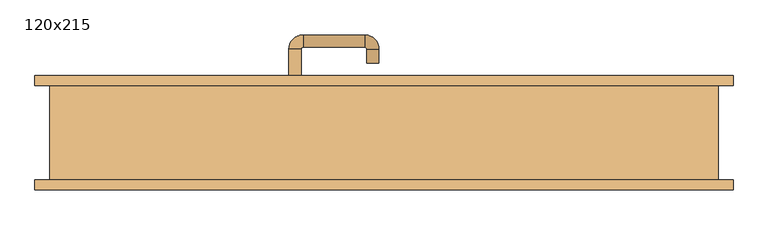
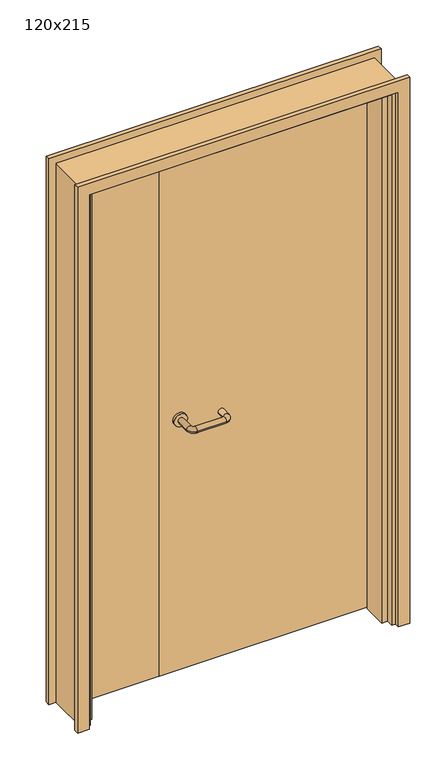
"""IFC4 building model written with IfcOpenShell, lengths in millimetres: door geometry, 120x215."""

from ifc_helpers import new_model, si_unit, point, frame, frame_2d, origin, place, context, project, spatial, polyline, circle_curve, ellipse_curve, trimmed, segment, composite_curve, outline, extrude, faceted_brep, source, transform, mapped, element, save
from ifc_brep_helpers import plane_surface, cylinder_surface, revolved_surface, advanced_brep


def door_120x215_9cea9fca(model_context):
    return source(origin(), model_context, "Body", "SolidModel", [
        faceted_brep([(547.0, -57.0, 0.0), (547.0, 38.0, 0.0), (568.0, 38.0, 0.0), (568.0, -57.0, 0.0), (547.0, -57.0, 2097.0), (547.0, 38.0, 2097.0), (568.0, 38.0, 2118.0), (568.0, -57.0, 2118.0), (-547.0, -57.0, 0.0), (-568.0, -57.0, 0.0), (-568.0, 38.0, 0.0), (-547.0, 38.0, 0.0), (-547.0, -57.0, 2097.0), (-568.0, -57.0, 2118.0), (-568.0, 38.0, 2118.0), (-547.0, 38.0, 2097.0)], [[[0, 1, 2, 3]], [[1, 0, 4, 5]], [[2, 1, 5, 6]], [[3, 2, 6, 7]], [[0, 3, 7, 4]], [[8, 9, 10, 11]], [[12, 13, 9, 8]], [[13, 14, 10, 9]], [[14, 15, 11, 10]], [[15, 12, 8, 11]], [[5, 4, 12, 15]], [[6, 5, 15, 14]], [[7, 6, 14, 13]], [[4, 7, 13, 12]]]),
        extrude(outline(polyline([(2177.0, 627.0), (2177.0, -627.0), (0.0, -627.0), (0.0, -583.0), (2133.0, -583.0), (2133.0, 583.0), (0.0, 583.0), (0.0, 627.0), (2177.0, 627.0)])), frame((0.0, 85.0, 0.0), z_axis=(0.0, 1.0, 0.0), x_axis=(0.0, 0.0, 1.0)), (0.0, 0.0, 1.0), 18.0),
        extrude(outline(polyline([(2177.0, -627.0), (0.0, -627.0), (0.0, -583.0), (2133.0, -583.0), (2133.0, 583.0), (0.0, 583.0), (0.0, 627.0), (2177.0, 627.0), (2177.0, -627.0)])), frame((0.0, -103.0, 0.0), z_axis=(0.0, 1.0, 0.0), x_axis=(0.0, 0.0, 1.0)), (0.0, 0.0, 1.0), 18.0),
        extrude(outline(polyline([(2150.0, -600.0), (0.0, -600.0), (0.0, -568.0), (2118.0, -568.0), (2118.0, 568.0), (0.0, 568.0), (0.0, 600.0), (2150.0, 600.0), (2150.0, -600.0)])), frame((0.0, -85.0, 0.0), z_axis=(0.0, 1.0, 0.0), x_axis=(0.0, 0.0, 1.0)), (0.0, 0.0, 1.0), 170.0),
        advanced_brep(
        [(-171.0, 30.8874183, 1003.0), (-149.0, 30.8874183, 1003.0), (-171.0, -23.9968061, 1003.0), (-149.0, -23.9968061, 1003.0), (-145.0, -27.9968061, 1003.0), (-145.0, -49.9968061, 1003.0), (-35.0, -49.9968061, 1003.0), (-35.0, -27.9968061, 1003.0), (-31.0, -23.9968061, 1003.0), (-9.0, -23.9968061, 1003.0), (-9.0, 10.0, 1003.0), (-31.0, 10.0, 1003.0)],
        [
            (0, 1, circle_curve(frame((-160.0, 30.8874183, 1003.0), z_axis=(0.0, 1.0, 0.0), x_axis=(1.0, 0.0, 0.0)), 11.0)),
            (1, 0, circle_curve(frame((-160.0, 30.8874183, 1003.0), z_axis=(0.0, 1.0, 0.0), x_axis=(1.0, 0.0, 0.0)), 11.0)),
            (0, 2),
            (2, 3, circle_curve(frame((-160.0, -23.9968061, 1003.0), z_axis=(0.0, 1.0, 0.0), x_axis=(1.0, 0.0, 0.0)), 11.0)),
            (3, 1),
            (3, 2, circle_curve(frame((-160.0, -23.9968061, 1003.0), z_axis=(0.0, 1.0, 0.0), x_axis=(1.0, 0.0, 0.0)), 11.0)),
            (4, 3, circle_curve(frame((-145.0, -23.9968061, 1003.0), z_axis=(0.0, 0.0, -1.0), x_axis=(-1.0, 0.0, 0.0)), 4.0)),
            (2, 5, circle_curve(frame((-145.0, -23.9968061, 1003.0), z_axis=(0.0, 0.0, 1.0), x_axis=(-1.0, 0.0, 0.0)), 26.0)),
            (5, 4, circle_curve(frame((-145.0, -38.9968061, 1003.0), z_axis=(-1.0, 0.0, 0.0), x_axis=(0.0, 1.0, 0.0)), 11.0)),
            (4, 5, circle_curve(frame((-145.0, -38.9968061, 1003.0), z_axis=(-1.0, 0.0, 0.0), x_axis=(0.0, 1.0, 0.0)), 11.0)),
            (5, 6),
            (6, 7, circle_curve(frame((-35.0, -38.9968061, 1003.0), z_axis=(-1.0, 0.0, 0.0), x_axis=(0.0, 1.0, 0.0)), 11.0)),
            (7, 4),
            (7, 6, circle_curve(frame((-35.0, -38.9968061, 1003.0), z_axis=(-1.0, 0.0, 0.0), x_axis=(0.0, 1.0, 0.0)), 11.0)),
            (8, 7, circle_curve(frame((-35.0, -23.9968061, 1003.0), z_axis=(0.0, 0.0, -1.0), x_axis=(0.0, -1.0, 0.0)), 4.0)),
            (6, 9, circle_curve(frame((-35.0, -23.9968061, 1003.0), z_axis=(0.0, 0.0, 1.0), x_axis=(0.0, -1.0, 0.0)), 26.0)),
            (9, 8, circle_curve(frame((-20.0, -23.9968061, 1003.0), z_axis=(0.0, -1.0, 0.0), x_axis=(-1.0, 0.0, 0.0)), 11.0)),
            (8, 9, circle_curve(frame((-20.0, -23.9968061, 1003.0), z_axis=(0.0, -1.0, 0.0), x_axis=(-1.0, 0.0, 0.0)), 11.0)),
            (10, 11, circle_curve(frame((-20.0, 10.0, 1003.0), z_axis=(0.0, 1.0, 0.0), x_axis=(-1.0, 0.0, 0.0)), 11.0)),
            (11, 10, circle_curve(frame((-20.0, 10.0, 1003.0), z_axis=(0.0, 1.0, 0.0), x_axis=(-1.0, 0.0, 0.0)), 11.0)),
            (9, 10),
            (11, 8),
        ],
        [
            plane_surface(frame((-171.0, 30.8874183, 1003.0), z_axis=(0.0, 1.0, 0.0), x_axis=(0.0, 0.0, -1.0))),
            cylinder_surface(frame((-160.0, 30.8874183, 1003.0), z_axis=(0.0, 1.0, 0.0), x_axis=(1.0, 0.0, 0.0)), 11.0),
            revolved_surface(trimmed(ellipse_curve(frame((-160.0, -23.9968061, 1003.0), z_axis=(0.0, 1.0, 0.0), x_axis=(1.0, 0.0, 0.0)), 11.0, 11.0), [point((-171.0, -23.9968061, 1003.0))], [point((-149.0, -23.9968061, 1003.0))], True, "CARTESIAN"), (-145.0, -23.9968061, 1003.0), (0.0, 0.0, 1.0)),
            revolved_surface(trimmed(ellipse_curve(frame((-160.0, -23.9968061, 1003.0), z_axis=(0.0, 1.0, 0.0), x_axis=(1.0, 0.0, 0.0)), 11.0, 11.0), [point((-149.0, -23.9968061, 1003.0))], [point((-171.0, -23.9968061, 1003.0))], True, "CARTESIAN"), (-145.0, -23.9968061, 1003.0), (0.0, 0.0, 1.0)),
            cylinder_surface(frame((-145.0, -38.9968061, 1003.0), z_axis=(-1.0, 0.0, 0.0), x_axis=(0.0, 1.0, 0.0)), 11.0),
            revolved_surface(trimmed(ellipse_curve(frame((-35.0, -38.9968061, 1003.0), z_axis=(-1.0, 0.0, 0.0), x_axis=(0.0, 1.0, 0.0)), 11.0, 11.0), [point((-35.0, -49.9968061, 1003.0))], [point((-35.0, -27.9968061, 1003.0))], True, "CARTESIAN"), (-35.0, -23.9968061, 1003.0), (0.0, 0.0, 1.0)),
            revolved_surface(trimmed(ellipse_curve(frame((-35.0, -38.9968061, 1003.0), z_axis=(-1.0, 0.0, 0.0), x_axis=(0.0, 1.0, 0.0)), 11.0, 11.0), [point((-35.0, -27.9968061, 1003.0))], [point((-35.0, -49.9968061, 1003.0))], True, "CARTESIAN"), (-35.0, -23.9968061, 1003.0), (0.0, 0.0, 1.0)),
            plane_surface(frame((-31.0, 10.0, 1003.0), z_axis=(0.0, 1.0, 0.0), x_axis=(0.0, 0.0, 1.0))),
            cylinder_surface(frame((-20.0, -23.9968061, 1003.0), z_axis=(0.0, -1.0, 0.0), x_axis=(-1.0, 0.0, 0.0)), 11.0),
        ],
        [
            (0, [[1, 2]]),
            (1, [[-1, 3, 4, 5]]),
            (1, [[-2, -5, 6, -3]]),
            (2, [[7, -4, 8, 9]]),
            (3, [[-8, -6, -7, 10]]),
            (4, [[-9, 11, 12, 13]]),
            (4, [[-10, -13, 14, -11]]),
            (5, [[15, -12, 16, 17]]),
            (6, [[-16, -14, -15, 18]]),
            (7, [[19, 20]]),
            (8, [[-17, 21, -20, 22]]),
            (8, [[-18, -22, -19, -21]]),
        ],
    ),
        extrude(outline(composite_curve([segment(trimmed(circle_curve(frame_2d((1003.0, -160.0)), 25.0), [point((1003.0, -185.0))], [point((1003.0, -135.0))], False, "CARTESIAN"), True, "CONTINUOUS"), segment(trimmed(circle_curve(frame_2d((1003.0, -160.0)), 25.0), [point((1003.0, -135.0))], [point((1003.0, -185.0))], False, "CARTESIAN"), True, "CONTINUOUS")], self_intersect=False)), frame((0.0, 30.8874183, 0.0), z_axis=(0.0, 1.0, 0.0), x_axis=(0.0, 0.0, 1.0)), (0.0, 0.0, 1.0), 10.1125817),
        advanced_brep(
        [(-149.0, 95.0, 1003.0), (-171.0, 95.0, 1003.0), (-149.0, 150.0, 1003.0), (-171.0, 150.0, 1003.0), (-145.0, 176.0, 1003.0), (-145.0, 154.0, 1003.0), (-35.0, 154.0, 1003.0), (-35.0, 176.0, 1003.0), (-9.0, 150.0, 1003.0), (-31.0, 150.0, 1003.0), (-31.0, 125.0, 1003.0), (-9.0, 125.0, 1003.0)],
        [
            (0, 1, circle_curve(frame((-160.0, 95.0, 1003.0), z_axis=(0.0, -1.0, 0.0), x_axis=(-1.0, 0.0, 0.0)), 11.0)),
            (1, 0, circle_curve(frame((-160.0, 95.0, 1003.0), z_axis=(0.0, -1.0, 0.0), x_axis=(-1.0, 0.0, 0.0)), 11.0)),
            (0, 2),
            (2, 3, circle_curve(frame((-160.0, 150.0, 1003.0), z_axis=(0.0, -1.0, 0.0), x_axis=(-1.0, 0.0, 0.0)), 11.0)),
            (3, 1),
            (3, 2, circle_curve(frame((-160.0, 150.0, 1003.0), z_axis=(0.0, -1.0, 0.0), x_axis=(-1.0, 0.0, 0.0)), 11.0)),
            (4, 3, circle_curve(frame((-145.0, 150.0, 1003.0), z_axis=(0.0, 0.0, 1.0), x_axis=(-1.0, 0.0, 0.0)), 26.0)),
            (2, 5, circle_curve(frame((-145.0, 150.0, 1003.0), z_axis=(0.0, 0.0, -1.0), x_axis=(-1.0, 0.0, 0.0)), 4.0)),
            (5, 4, circle_curve(frame((-145.0, 165.0, 1003.0), z_axis=(-1.0, 0.0, 0.0), x_axis=(0.0, 1.0, 0.0)), 11.0)),
            (4, 5, circle_curve(frame((-145.0, 165.0, 1003.0), z_axis=(-1.0, 0.0, 0.0), x_axis=(0.0, 1.0, 0.0)), 11.0)),
            (5, 6),
            (6, 7, circle_curve(frame((-35.0, 165.0, 1003.0), z_axis=(-1.0, 0.0, 0.0), x_axis=(0.0, 1.0, 0.0)), 11.0)),
            (7, 4),
            (7, 6, circle_curve(frame((-35.0, 165.0, 1003.0), z_axis=(-1.0, 0.0, 0.0), x_axis=(0.0, 1.0, 0.0)), 11.0)),
            (8, 7, circle_curve(frame((-35.0, 150.0, 1003.0), z_axis=(0.0, 0.0, 1.0), x_axis=(0.0, 1.0, 0.0)), 26.0)),
            (6, 9, circle_curve(frame((-35.0, 150.0, 1003.0), z_axis=(0.0, 0.0, -1.0), x_axis=(0.0, 1.0, 0.0)), 4.0)),
            (9, 8, circle_curve(frame((-20.0, 150.0, 1003.0), z_axis=(0.0, 1.0, 0.0), x_axis=(1.0, 0.0, 0.0)), 11.0)),
            (8, 9, circle_curve(frame((-20.0, 150.0, 1003.0), z_axis=(0.0, 1.0, 0.0), x_axis=(1.0, 0.0, 0.0)), 11.0)),
            (10, 11, circle_curve(frame((-20.0, 125.0, 1003.0), z_axis=(0.0, -1.0, 0.0), x_axis=(1.0, 0.0, 0.0)), 11.0)),
            (11, 10, circle_curve(frame((-20.0, 125.0, 1003.0), z_axis=(0.0, -1.0, 0.0), x_axis=(1.0, 0.0, 0.0)), 11.0)),
            (9, 10),
            (11, 8),
        ],
        [
            plane_surface(frame((-171.0, 95.0, 1003.0), z_axis=(0.0, -1.0, 0.0), x_axis=(0.0, 0.0, 1.0))),
            cylinder_surface(frame((-160.0, 95.0, 1003.0), z_axis=(0.0, -1.0, 0.0), x_axis=(-1.0, 0.0, 0.0)), 11.0),
            revolved_surface(trimmed(ellipse_curve(frame((-160.0, 150.0, 1003.0), z_axis=(0.0, -1.0, 0.0), x_axis=(-1.0, 0.0, 0.0)), 11.0, 11.0), [point((-149.0, 150.0, 1003.0))], [point((-171.0, 150.0, 1003.0))], True, "CARTESIAN"), (-145.0, 150.0, 1003.0), (0.0, 0.0, -1.0)),
            revolved_surface(trimmed(ellipse_curve(frame((-160.0, 150.0, 1003.0), z_axis=(0.0, -1.0, 0.0), x_axis=(-1.0, 0.0, 0.0)), 11.0, 11.0), [point((-171.0, 150.0, 1003.0))], [point((-149.0, 150.0, 1003.0))], True, "CARTESIAN"), (-145.0, 150.0, 1003.0), (0.0, 0.0, -1.0)),
            cylinder_surface(frame((-145.0, 165.0, 1003.0), z_axis=(-1.0, 0.0, 0.0), x_axis=(0.0, 1.0, 0.0)), 11.0),
            revolved_surface(trimmed(ellipse_curve(frame((-35.0, 165.0, 1003.0), z_axis=(-1.0, 0.0, 0.0), x_axis=(0.0, 1.0, 0.0)), 11.0, 11.0), [point((-35.0, 154.0, 1003.0))], [point((-35.0, 176.0, 1003.0))], True, "CARTESIAN"), (-35.0, 150.0, 1003.0), (0.0, 0.0, -1.0)),
            revolved_surface(trimmed(ellipse_curve(frame((-35.0, 165.0, 1003.0), z_axis=(-1.0, 0.0, 0.0), x_axis=(0.0, 1.0, 0.0)), 11.0, 11.0), [point((-35.0, 176.0, 1003.0))], [point((-35.0, 154.0, 1003.0))], True, "CARTESIAN"), (-35.0, 150.0, 1003.0), (0.0, 0.0, -1.0)),
            plane_surface(frame((-31.0, 125.0, 1003.0), z_axis=(0.0, -1.0, 0.0), x_axis=(0.0, 0.0, -1.0))),
            cylinder_surface(frame((-20.0, 150.0, 1003.0), z_axis=(0.0, 1.0, 0.0), x_axis=(1.0, 0.0, 0.0)), 11.0),
        ],
        [
            (0, [[1, 2]]),
            (1, [[-1, 3, 4, 5]]),
            (1, [[-2, -5, 6, -3]]),
            (2, [[7, -4, 8, 9]]),
            (3, [[-8, -6, -7, 10]]),
            (4, [[-9, 11, 12, 13]]),
            (4, [[-10, -13, 14, -11]]),
            (5, [[15, -12, 16, 17]]),
            (6, [[-16, -14, -15, 18]]),
            (7, [[19, 20]]),
            (8, [[-17, 21, -20, 22]]),
            (8, [[-18, -22, -19, -21]]),
        ],
    ),
        extrude(outline(composite_curve([segment(trimmed(circle_curve(frame_2d((1003.0, -160.0)), 25.0), [point((1003.0, -135.0))], [point((1003.0, -185.0))], False, "CARTESIAN"), True, "CONTINUOUS"), segment(trimmed(circle_curve(frame_2d((1003.0, -160.0)), 25.0), [point((1003.0, -185.0))], [point((1003.0, -135.0))], False, "CARTESIAN"), True, "CONTINUOUS")], self_intersect=False)), frame((0.0, 85.0, 0.0), z_axis=(0.0, 1.0, 0.0), x_axis=(0.0, 0.0, 1.0)), (0.0, 0.0, 1.0), 10.0),
        extrude(outline(polyline([(-236.99898, 41.0), (-565.0, 41.0), (-565.0, 85.0), (-236.99898, 85.0), (-236.99898, 41.0)])), frame((0.0, 0.0, 3.0), z_axis=(0.0, 0.0, 1.0), x_axis=(1.0, 0.0, 0.0)), (0.0, 0.0, 1.0), 2112.0),
        extrude(outline(polyline([(565.0, 41.0), (-235.0, 41.0), (-235.0, 85.0), (565.0, 85.0), (565.0, 41.0)])), frame((0.0, 0.0, 3.0), z_axis=(0.0, 0.0, 1.0), x_axis=(1.0, 0.0, 0.0)), (0.0, 0.0, 1.0), 2112.0),
    ])


if __name__ == "__main__":
    model = new_model("IFC4")
    model_context = context("Model", 3, world=origin())
    ifc_project = project(units=[si_unit("LENGTHUNIT", "METRE", prefix="MILLI")], contexts=[model_context])
    site = spatial("IfcSite", under=ifc_project)
    building = spatial("IfcBuilding", under=site)
    placement = place(None, origin())
    door_120x215_shape = door_120x215_9cea9fca(model_context)
    element("IfcDoor", 1, ObjectType="120x215", at=placement, inside=building, context=model_context, shape_type="MappedRepresentation", body=[
        mapped(door_120x215_shape, transform((0.0, 0.0, 0.0), x_axis=(1.0, 0.0, 0.0), y_axis=(0.0, 1.0, 0.0), z_axis=(0.0, 0.0, 1.0))),
    ])
    save(model, "model.ifc")
